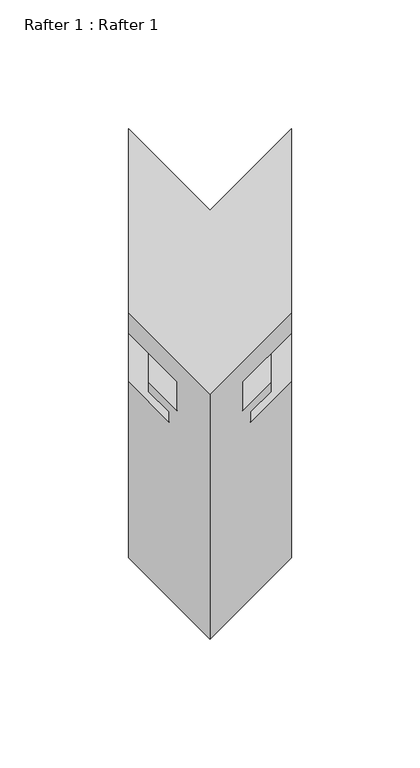
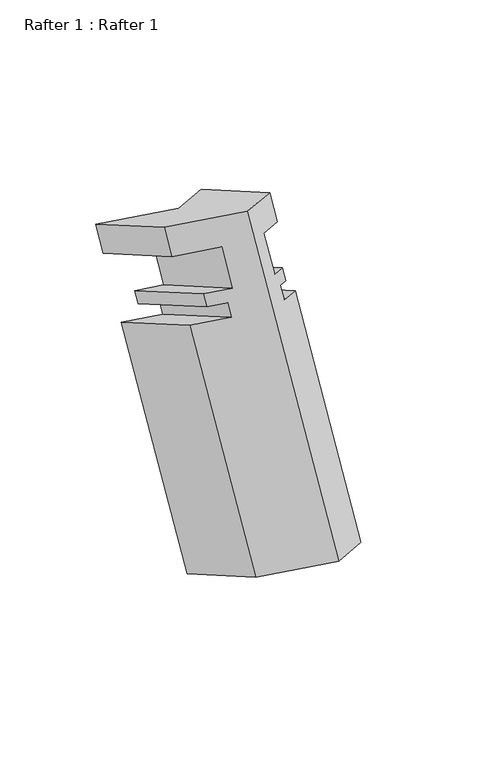
"""IFC4 building model written with IfcOpenShell, lengths in millimetres: proxy geometry, Rafter 1 : Rafter 1."""

from ifc_helpers import new_model, si_unit, origin, place, context, project, spatial, faceted_brep, source, transform, mapped, element, save


def rafter_1_rafter_1_feb90325(model_context):
    return source(origin(), model_context, "Body", "Brep", [
        faceted_brep([(13518.8622101, 12749.0947533, 2004.2899176), (13518.8622101, 12677.4761057, 2045.6389631), (13550.6122101, 12645.7261057, 2063.9698341), (13582.3622101, 12677.4761057, 2045.6389631), (13582.3622101, 12749.0947533, 2004.2899176), (13550.6122101, 12717.3447533, 2022.6207887), (13582.3622101, 12669.5386057, 2031.8908098), (13582.3622101, 12741.1572533, 1990.5417643), (13563.3122101, 12650.4886057, 2042.8893324), (13563.3122101, 12722.1072533, 2001.540287), (13563.3122101, 12639.2491057, 2023.4219474), (13563.3122101, 12710.8677533, 1982.0729019), (13574.4374101, 12650.3743057, 2016.9988102), (13574.4374101, 12721.9929533, 1975.6497647), (13574.4374101, 12646.7929057, 2010.7956434), (13574.4374101, 12718.4115533, 1969.4465979), (13566.4872101, 12638.8427057, 2015.3856935), (13566.4872101, 12710.4613533, 1974.036648), (13566.4872101, 12634.8930057, 2008.5446124), (13566.4872101, 12706.5116533, 1967.195567), (13582.3622101, 12650.7680057, 1999.3791769), (13582.3622101, 12722.3866533, 1958.0301314), (13582.3622101, 12582.0991057, 1880.4411532), (13582.3622101, 12653.7177533, 1839.0921077), (13550.6122101, 12550.3491057, 1898.7720243), (13518.8622101, 12582.0991057, 1880.4411532), (13518.8622101, 12653.7177533, 1839.0921077), (13550.6122101, 12621.9677533, 1857.4229788), (13518.8622101, 12650.7680057, 1999.3791769), (13518.8622101, 12722.3866533, 1958.0301314), (13534.7372101, 12634.8930057, 2008.5446124), (13534.7372101, 12706.5116533, 1967.195567), (13534.7372101, 12638.8427057, 2015.3856935), (13534.7372101, 12710.4613533, 1974.036648), (13526.7870101, 12646.7929057, 2010.7956434), (13526.7870101, 12718.4115533, 1969.4465979), (13526.7870101, 12650.3743057, 2016.9988102), (13526.7870101, 12721.9929533, 1975.6497647), (13537.9122101, 12639.2491057, 2023.4219474), (13537.9122101, 12710.8677533, 1982.0729019), (13537.9122101, 12650.4886057, 2042.8893324), (13537.9122101, 12722.1072533, 2001.540287), (13518.8622101, 12669.5386057, 2031.8908098), (13518.8622101, 12741.1572533, 1990.5417643)], [[[0, 1, 2, 3, 4, 5]], [[4, 3, 6, 7]], [[7, 6, 8, 9]], [[9, 8, 10, 11]], [[11, 10, 12, 13]], [[13, 12, 14, 15]], [[15, 14, 16, 17]], [[17, 16, 18, 19]], [[19, 18, 20, 21]], [[21, 20, 22, 23]], [[23, 22, 24, 25, 26, 27]], [[26, 25, 28, 29]], [[29, 28, 30, 31]], [[31, 30, 32, 33]], [[33, 32, 34, 35]], [[35, 34, 36, 37]], [[37, 36, 38, 39]], [[39, 38, 40, 41]], [[41, 40, 42, 43]], [[1, 0, 43, 42]], [[5, 27, 26, 29, 31, 33, 35, 37, 39, 41, 43, 0]], [[27, 5, 4, 7, 9, 11, 13, 15, 17, 19, 21, 23]], [[24, 2, 1, 42, 40, 38, 36, 34, 32, 30, 28, 25]], [[2, 24, 22, 20, 18, 16, 14, 12, 10, 8, 6, 3]]]),
    ])


if __name__ == "__main__":
    model = new_model("IFC4")
    model_context = context("Model", 3, world=origin())
    ifc_project = project(units=[si_unit("LENGTHUNIT", "METRE", prefix="MILLI")], contexts=[model_context])
    site = spatial("IfcSite", under=ifc_project)
    building = spatial("IfcBuilding", under=site)
    placement = place(None, origin())
    rafter_1_rafter_1_shape = rafter_1_rafter_1_feb90325(model_context)
    element("IfcBuildingElementProxy", 1, Name="Rafter 1 : Rafter 1", ObjectType="Rafter 1 : Rafter 1", at=placement, inside=building, context=model_context, shape_type="MappedRepresentation", body=[
        mapped(rafter_1_rafter_1_shape, transform((0.0, 0.0, 0.0), x_axis=(1.0, 0.0, 0.0), y_axis=(0.0, 1.0, 0.0), z_axis=(0.0, 0.0, 1.0))),
    ])
    save(model, "model.ifc")
